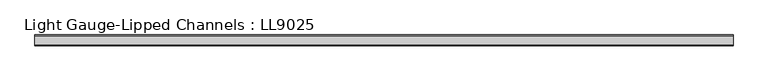
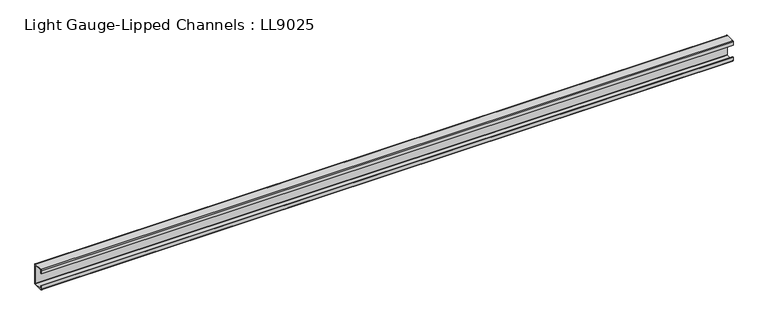
"""IFC4 building model written with IfcOpenShell, lengths in millimetres: beam geometry, Light Gauge-Lipped Channels : LL9025."""

from ifc_helpers import new_model, si_unit, point, frame, frame_2d, origin, place, context, project, spatial, polyline, circle_curve, trimmed, segment, composite_curve, outline, extrude, source, transform, mapped, element, save


def light_gauge_lipped_channels_ll9025_01a3bde5(model_context):
    return source(origin(), model_context, "Body", "SweptSolid", [
        extrude(outline(composite_curve([segment(trimmed(circle_curve(frame_2d((14.7, -41.5)), 3.5), [point((18.2, -41.5))], [point((14.7, -45.0))], False, "CARTESIAN"), True, "CONTINUOUS"), segment(polyline([(14.7, -45.0), (-23.3, -45.0)]), True, "CONTINUOUS"), segment(trimmed(circle_curve(frame_2d((-23.3, -41.5)), 3.5), [point((-23.3, -45.0))], [point((-26.8, -41.5))], False, "CARTESIAN"), True, "CONTINUOUS"), segment(polyline([(-26.8, -41.5), (-26.8, -27.0), (-24.3, -27.0), (-24.3, -41.5)]), True, "CONTINUOUS"), segment(trimmed(circle_curve(frame_2d((-23.3, -41.5)), 1.0), [point((-24.3, -41.5))], [point((-23.3, -42.5))], True, "CARTESIAN"), True, "CONTINUOUS"), segment(polyline([(-23.3, -42.5), (14.7, -42.5)]), True, "CONTINUOUS"), segment(trimmed(circle_curve(frame_2d((14.7, -41.5)), 1.0), [point((14.7, -42.5))], [point((15.7, -41.5))], True, "CARTESIAN"), True, "CONTINUOUS"), segment(polyline([(15.7, -41.5), (15.7, 41.5)]), True, "CONTINUOUS"), segment(trimmed(circle_curve(frame_2d((14.7, 41.5)), 1.0), [point((15.7, 41.5))], [point((14.7, 42.5))], True, "CARTESIAN"), True, "CONTINUOUS"), segment(polyline([(14.7, 42.5), (-23.3, 42.5)]), True, "CONTINUOUS"), segment(trimmed(circle_curve(frame_2d((-23.3, 41.5)), 1.0), [point((-23.3, 42.5))], [point((-24.3, 41.5))], True, "CARTESIAN"), True, "CONTINUOUS"), segment(polyline([(-24.3, 41.5), (-24.3, 27.0), (-26.8, 27.0), (-26.8, 41.5)]), True, "CONTINUOUS"), segment(trimmed(circle_curve(frame_2d((-23.3, 41.5)), 3.5), [point((-26.8, 41.5))], [point((-23.3, 45.0))], False, "CARTESIAN"), True, "CONTINUOUS"), segment(polyline([(-23.3, 45.0), (14.7, 45.0)]), True, "CONTINUOUS"), segment(trimmed(circle_curve(frame_2d((14.7, 41.5)), 3.5), [point((14.7, 45.0))], [point((18.2, 41.5))], False, "CARTESIAN"), True, "CONTINUOUS"), segment(polyline([(18.2, 41.5), (18.2, -41.5)]), True, "CONTINUOUS")], self_intersect=False)), frame((-1470.5, 0.0, 0.0), z_axis=(1.0, 0.0, 0.0), x_axis=(0.0, 1.0, 0.0)), (0.0, 0.0, 1.0), 2901.0),
    ])


if __name__ == "__main__":
    model = new_model("IFC4")
    model_context = context("Model", 3, world=origin())
    ifc_project = project(units=[si_unit("LENGTHUNIT", "METRE", prefix="MILLI")], contexts=[model_context])
    site = spatial("IfcSite", under=ifc_project)
    building = spatial("IfcBuilding", under=site)
    placement = place(None, origin())
    light_gauge_lipped_channels_ll9025_shape = light_gauge_lipped_channels_ll9025_01a3bde5(model_context)
    element("IfcBeam", 1, ObjectType="Light Gauge-Lipped Channels : LL9025", at=placement, inside=building, context=model_context, shape_type="MappedRepresentation", body=[
        mapped(light_gauge_lipped_channels_ll9025_shape, transform((0.0, 0.0, 0.0), x_axis=(1.0, 0.0, 0.0), y_axis=(0.0, 1.0, 0.0), z_axis=(0.0, 0.0, 1.0))),
    ])
    save(model, "model.ifc")
